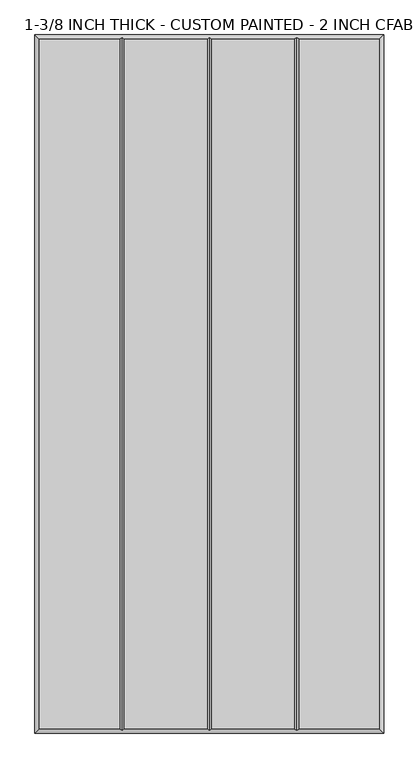
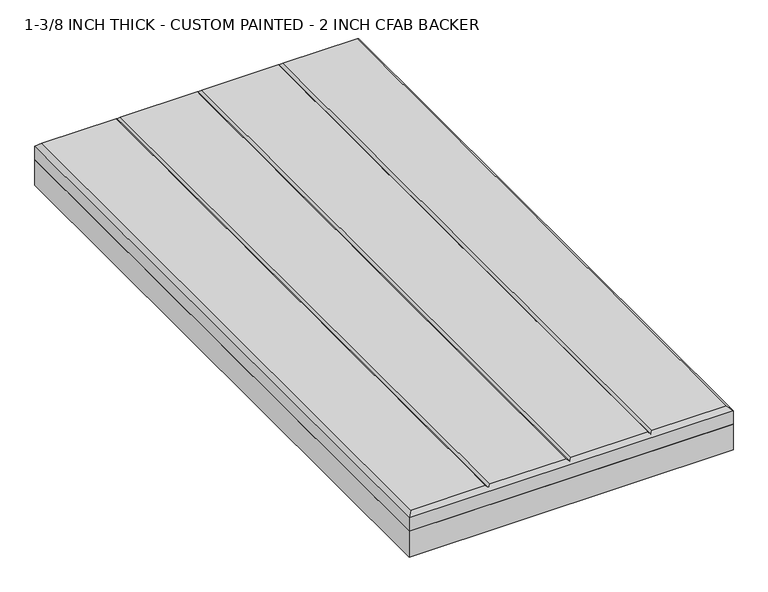
"""IFC4 building model written with IfcOpenShell, lengths in millimetres: proxy geometry, 1-3/8 INCH THICK - CUSTOM PAINTED - 2 INCH CFAB BACKER."""

from ifc_helpers import new_model, si_unit, frame, origin, place, context, project, spatial, polyline, outline, extrude, faceted_brep, source, transform, mapped, element, save


def proxy_1_3_8_inch_thick_custom_painted_2_inch_cfab_backer_e680398a(model_context):
    return source(origin(), model_context, "Body", "SolidModel", [
        extrude(outline(polyline([(-304.8, 609.6), (304.8, 609.6), (304.8, -609.6), (-304.8, -609.6), (-304.8, 609.6)])), frame((0.0, 0.0, -50.8), z_axis=(0.0, 0.0, 1.0), x_axis=(1.0, 0.0, 0.0)), (0.0, 0.0, 1.0), 50.8),
        faceted_brep([(-296.799, 601.599, 34.925), (-296.799, -601.599, 34.925), (-156.4009826, -601.599, 34.925), (-156.4009826, 601.599, 34.925), (296.799, -601.599, 34.925), (296.799, 601.599, 34.925), (156.4010334, 601.599, 34.925), (156.4010334, -601.599, 34.925), (-148.3999826, 601.599, 34.925), (-148.3999826, -601.599, 34.925), (-4.0004746, -601.599, 34.925), (-4.0004746, 601.599, 34.925), (4.0005254, 601.599, 34.925), (4.0005254, -601.599, 34.925), (148.4000334, -601.599, 34.925), (148.4000334, 601.599, 34.925), (-304.8, 609.6, 0.0), (304.8, 609.6, 0.0), (304.8, -609.6, 0.0), (-304.8, -609.6, 0.0), (-304.8, -609.6, 26.924), (-304.8, 609.6, 26.924), (304.8, -609.6, 26.924), (304.8, 609.6, 26.924), (-152.4004826, 605.5995, 30.9245), (2.54e-05, 605.5995, 30.9245), (152.4005334, 605.5995, 30.9245), (152.4005334, -605.5995, 30.9245), (2.54e-05, -605.5995, 30.9245), (-152.4004826, -605.5995, 30.9245)], [[[0, 1, 2, 3]], [[4, 5, 6, 7]], [[8, 9, 10, 11]], [[12, 13, 14, 15]], [[16, 17, 18, 19]], [[16, 19, 20, 21]], [[19, 18, 22, 20]], [[18, 17, 23, 22]], [[17, 16, 21, 23]], [[21, 0, 3, 24, 8, 11, 25, 12, 15, 26, 6, 5, 23]], [[0, 21, 20, 1]], [[1, 20, 22, 4, 7, 27, 14, 13, 28, 10, 9, 29, 2]], [[23, 5, 4, 22]], [[24, 29, 9, 8]], [[29, 24, 3, 2]], [[25, 28, 13, 12]], [[28, 25, 11, 10]], [[26, 27, 7, 6]], [[27, 26, 15, 14]]]),
    ])


if __name__ == "__main__":
    model = new_model("IFC4")
    model_context = context("Model", 3, world=origin())
    ifc_project = project(units=[si_unit("LENGTHUNIT", "METRE", prefix="MILLI")], contexts=[model_context])
    site = spatial("IfcSite", under=ifc_project)
    building = spatial("IfcBuilding", under=site)
    placement = place(None, origin())
    proxy_1_3_8_inch_thick_custom_painted_2_inch_cfab_backer_shape = proxy_1_3_8_inch_thick_custom_painted_2_inch_cfab_backer_e680398a(model_context)
    element("IfcBuildingElementProxy", 1, Name="1-3/8 INCH THICK - CUSTOM PAINTED - 2 INCH CFAB BACKER", ObjectType="1-3/8 INCH THICK - CUSTOM PAINTED - 2 INCH CFAB BACKER", at=placement, inside=building, context=model_context, shape_type="MappedRepresentation", body=[
        mapped(proxy_1_3_8_inch_thick_custom_painted_2_inch_cfab_backer_shape, transform((0.0, 0.0, 0.0), x_axis=(1.0, 0.0, 0.0), y_axis=(0.0, 1.0, 0.0), z_axis=(0.0, 0.0, 1.0))),
    ])
    save(model, "model.ifc")
